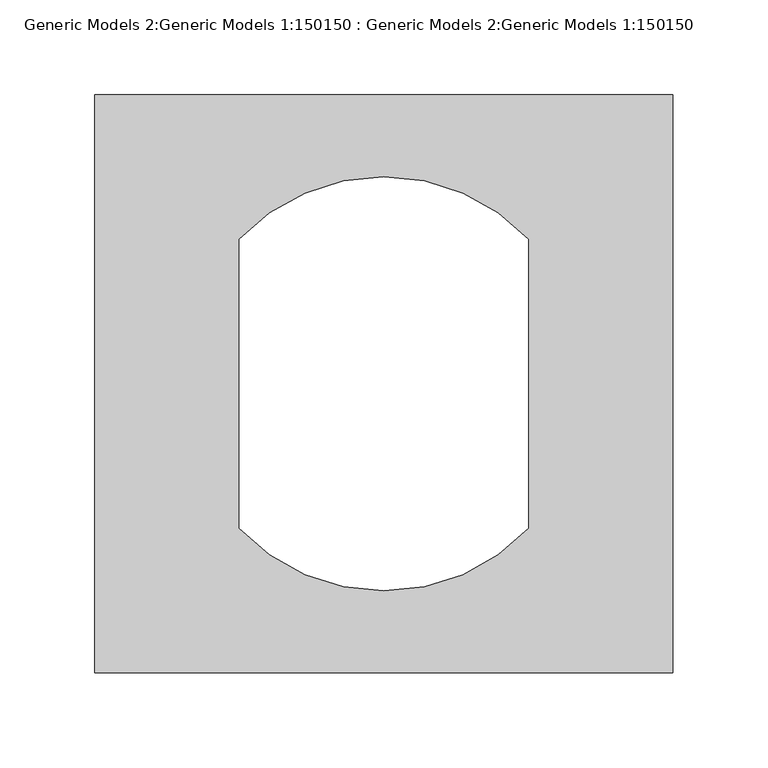
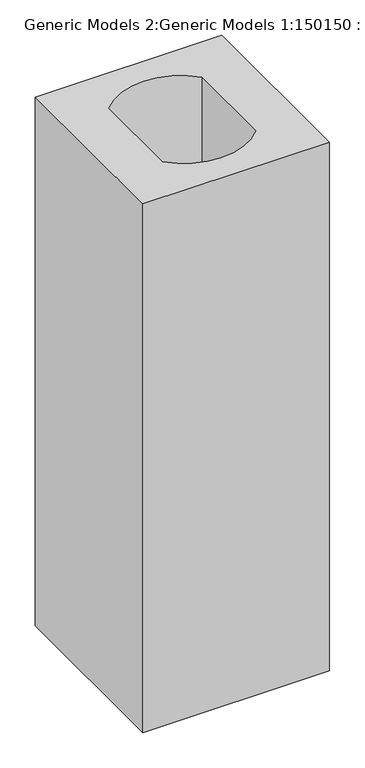
"""IFC4 building model written with IfcOpenShell, lengths in millimetres: proxy geometry, Generic Models 2:Generic Models 1:150150 : Generic Models 2:Generic Models 1:150150."""

from ifc_helpers import new_model, si_unit, point, frame_2d, origin, origin_with_axes, place, context, project, spatial, polyline, circle_curve, trimmed, segment, composite_curve, outline, extrude, source, transform, mapped, element, save


def generic_models_2_generic_models_1_150150_generic_models_2_0ce5e1d5(model_context):
    return source(origin(), model_context, "Body", "SweptSolid", [
        extrude(outline(polyline([(914.4, 304.8), (914.4, 0.0), (609.6, 0.0), (609.6, 304.8), (914.4, 304.8)]), holes=[composite_curve([segment(trimmed(circle_curve(frame_2d((762.0, 157.1722512)), 104.4431104), [point((838.2, 228.6))], [point((685.8, 228.6))], True, "CARTESIAN"), True, "CONTINUOUS"), segment(polyline([(685.8, 228.6), (685.8, 76.2)]), True, "CONTINUOUS"), segment(trimmed(circle_curve(frame_2d((762.0, 147.6277488)), 104.4431104), [point((685.8, 76.2))], [point((838.2, 76.2))], True, "CARTESIAN"), True, "CONTINUOUS"), segment(polyline([(838.2, 76.2), (838.2, 228.6)]), True, "CONTINUOUS")], self_intersect=False)]), origin_with_axes(), (0.0, 0.0, 1.0), 914.4),
    ])


if __name__ == "__main__":
    model = new_model("IFC4")
    model_context = context("Model", 3, world=origin())
    ifc_project = project(units=[si_unit("LENGTHUNIT", "METRE", prefix="MILLI")], contexts=[model_context])
    site = spatial("IfcSite", under=ifc_project)
    building = spatial("IfcBuilding", under=site)
    placement = place(None, origin())
    generic_models_2_generic_models_1_150150_generic_models_2_shape = generic_models_2_generic_models_1_150150_generic_models_2_0ce5e1d5(model_context)
    element("IfcBuildingElementProxy", 1, Name="Generic Models 2:Generic Models 1:150150 : Generic Models 2:Generic Models 1:150150", ObjectType="Generic Models 2:Generic Models 1:150150 : Generic Models 2:Generic Models 1:150150", at=placement, inside=building, context=model_context, shape_type="MappedRepresentation", body=[
        mapped(generic_models_2_generic_models_1_150150_generic_models_2_shape, transform((0.0, 0.0, 0.0), x_axis=(1.0, 0.0, 0.0), y_axis=(0.0, 1.0, 0.0), z_axis=(0.0, 0.0, 1.0))),
    ])
    save(model, "model.ifc")
